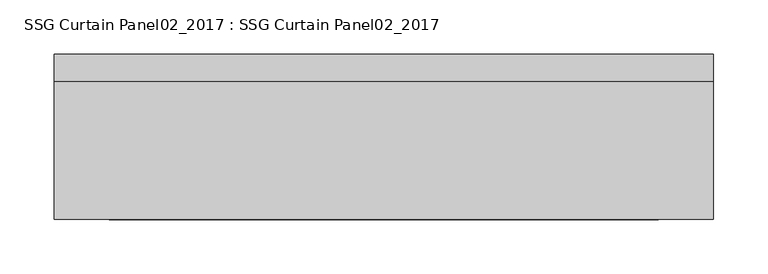
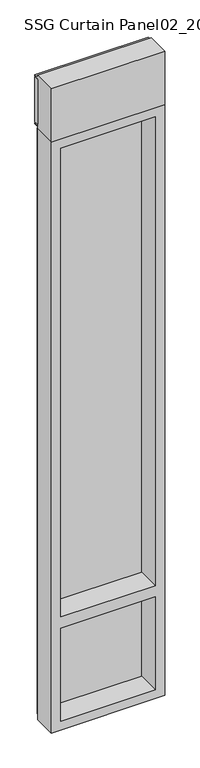
"""IFC4 building model written with IfcOpenShell, lengths in millimetres: plate geometry, SSG Curtain Panel02_2017 : SSG Curtain Panel02_2017."""

from ifc_helpers import new_model, si_unit, frame, origin, place, context, project, spatial, polyline, outline, extrude, faceted_brep, source, transform, mapped, element, save


def ssg_curtain_panel02_2017_ssg_curtain_panel02_2017_8e747ca6(model_context):
    return source(origin(), model_context, "Body", "SolidModel", [
        faceted_brep([(254.0000002, -152.4, 50.8), (254.0000002, -25.4, 50.8), (-254.0000002, -25.4, 50.8), (-254.0000002, -152.4, 50.8), (304.8000002, -25.4, 0.0), (304.8000002, -152.4, 0.0), (-304.8000002, -152.4, 0.0), (-304.8000002, -25.4, 0.0), (292.1000002, 0.0, 12.7), (292.1000002, -25.4, 12.7), (-292.1000002, -25.4, 12.7), (-292.1000002, 0.0, 12.7), (285.7500002, -25.4, 19.05), (285.7500002, 0.0, 19.05), (-285.7500002, 0.0, 19.05), (-285.7500002, -25.4, 19.05), (-254.0000002, -25.4, 577.85), (-254.0000002, -152.4, 577.85), (-254.0000002, -25.4, 3302.0), (-254.0000002, -152.4, 3302.0), (-254.0000002, -152.4, 641.35), (-254.0000002, -25.4, 641.35), (-304.8000002, -152.4, 3352.8), (-304.8000002, -25.4, 3352.8), (-292.1000002, -25.4, 3340.1), (-292.1000002, 0.0, 3340.1), (-285.7500002, 0.0, 3333.75), (-285.7500002, -25.4, 3333.75), (254.0000002, -25.4, 3302.0), (254.0000002, -152.4, 3302.0), (304.8000002, -152.4, 3352.8), (304.8000002, -25.4, 3352.8), (292.1000002, -25.4, 3340.1), (292.1000002, 0.0, 3340.1), (285.7500002, 0.0, 3333.75), (285.7500002, -25.4, 3333.75), (254.0000002, -25.4, 577.85), (254.0000002, -25.4, 641.35), (279.4000002, -25.4, 603.25), (279.4000002, -25.4, 615.95), (-279.4000002, -25.4, 615.95), (-279.4000002, -25.4, 603.25), (254.0000002, -152.4, 577.85), (254.0000002, -152.4, 641.35), (279.4000002, 0.0, 603.25), (279.4000002, 0.0, 615.95), (-279.4000002, 0.0, 615.95), (-279.4000002, 0.0, 603.25)], [[[0, 1, 2, 3]], [[4, 5, 6, 7]], [[8, 9, 10, 11]], [[12, 13, 14, 15]], [[3, 2, 16, 17]], [[18, 19, 20, 21]], [[7, 6, 22, 23]], [[11, 10, 24, 25]], [[15, 14, 26, 27]], [[19, 18, 28, 29]], [[23, 22, 30, 31]], [[25, 24, 32, 33]], [[27, 26, 34, 35]], [[12, 15, 27, 35], [2, 1, 36, 16], [18, 21, 37, 28], [38, 39, 40, 41]], [[1, 0, 42, 36]], [[29, 28, 37, 43]], [[6, 5, 30, 22], [0, 3, 17, 42], [29, 43, 20, 19]], [[5, 4, 31, 30]], [[4, 7, 23, 31], [10, 9, 32, 24]], [[9, 8, 33, 32]], [[8, 11, 25, 33], [14, 13, 34, 26]], [[13, 12, 35, 34]], [[38, 44, 45, 39]], [[40, 46, 47, 41]], [[37, 21, 20, 43]], [[16, 36, 42, 17]], [[44, 38, 41, 47]], [[45, 44, 47, 46]], [[40, 39, 45, 46]]]),
        extrude(outline(polyline([(304.8000002, -25.4), (-304.8000002, -25.4), (-304.8000002, 0.0), (304.8000002, 0.0), (304.8000002, -25.4)])), frame((0.0, 0.0, 3378.2), z_axis=(0.0, 0.0, 1.0), x_axis=(1.0, 0.0, 0.0)), (0.0, 0.0, 1.0), 254.0),
        extrude(outline(polyline([(0.0, 3371.85), (0.0, 3365.5), (-25.4, 3365.5), (-25.4, 3352.8), (-152.4, 3352.8), (-152.4, 3657.6), (-25.4, 3657.6), (-25.4, 3644.9), (0.0, 3644.9), (0.0, 3638.55), (-25.4, 3638.55), (-25.4, 3371.85), (0.0, 3371.85)])), frame((-304.8000002, 0.0, 0.0), z_axis=(1.0, 0.0, 0.0), x_axis=(0.0, 1.0, 0.0)), (0.0, 0.0, 1.0), 609.6000003),
        extrude(outline(polyline([(279.4000002, -25.4), (-279.4000002, -25.4), (-279.4000002, 0.0), (279.4000002, 0.0), (279.4000002, -25.4)])), frame((0.0, 0.0, 25.4), z_axis=(0.0, 0.0, 1.0), x_axis=(1.0, 0.0, 0.0)), (0.0, 0.0, 1.0), 571.5),
        extrude(outline(polyline([(279.4000002, -25.4), (-279.4000002, -25.4), (-279.4000002, 0.0), (279.4000002, 0.0), (279.4000002, -25.4)])), frame((0.0, 0.0, 622.3), z_axis=(0.0, 0.0, 1.0), x_axis=(1.0, 0.0, 0.0)), (0.0, 0.0, 1.0), 2705.1),
    ])


if __name__ == "__main__":
    model = new_model("IFC4")
    model_context = context("Model", 3, world=origin())
    ifc_project = project(units=[si_unit("LENGTHUNIT", "METRE", prefix="MILLI")], contexts=[model_context])
    site = spatial("IfcSite", under=ifc_project)
    building = spatial("IfcBuilding", under=site)
    placement = place(None, origin())
    ssg_curtain_panel02_2017_ssg_curtain_panel02_2017_shape = ssg_curtain_panel02_2017_ssg_curtain_panel02_2017_8e747ca6(model_context)
    element("IfcPlate", 1, ObjectType="SSG Curtain Panel02_2017 : SSG Curtain Panel02_2017", at=placement, inside=building, context=model_context, shape_type="MappedRepresentation", body=[
        mapped(ssg_curtain_panel02_2017_ssg_curtain_panel02_2017_shape, transform((0.0, 0.0, 0.0), x_axis=(1.0, 0.0, 0.0), y_axis=(0.0, 1.0, 0.0), z_axis=(0.0, 0.0, 1.0))),
    ])
    save(model, "model.ifc")
